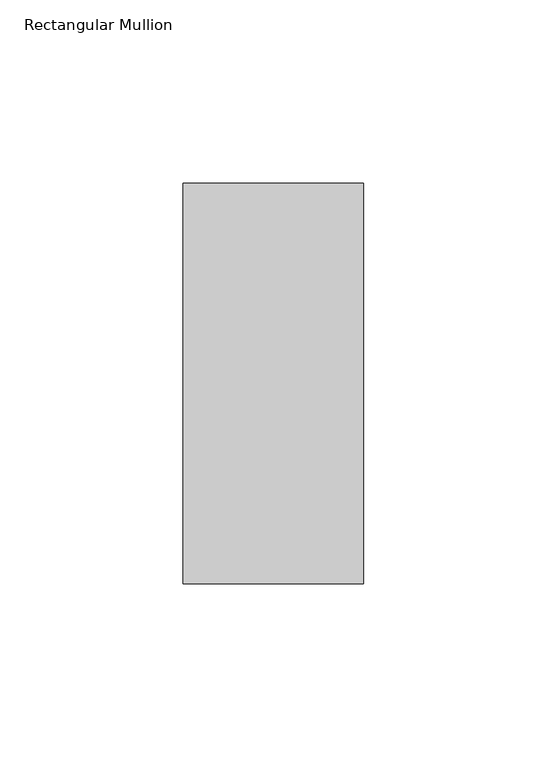
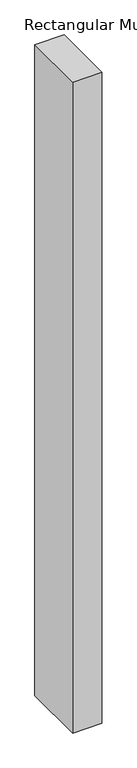
"""IFC4 building model written with IfcOpenShell, lengths in millimetres: member geometry, Rectangular Mullion."""

from ifc_helpers import new_model, si_unit, frame, origin, place, context, project, spatial, polyline, outline, extrude, source, transform, mapped, element, save


def rectangular_mullion_e33cf48d(model_context):
    return source(origin(), model_context, "Body", "SweptSolid", [
        extrude(outline(polyline([(0.0, -58.3438), (-49.2116723, -58.3438), (-49.2116723, 50.8), (0.0, 50.8), (0.0, -58.3438)])), frame((0.0, 0.0, -1151.442922), z_axis=(0.0, 0.0, 1.0), x_axis=(1.0, 0.0, 0.0)), (0.0, 0.0, 1.0), 1151.442922),
    ])


if __name__ == "__main__":
    model = new_model("IFC4")
    model_context = context("Model", 3, world=origin())
    ifc_project = project(units=[si_unit("LENGTHUNIT", "METRE", prefix="MILLI")], contexts=[model_context])
    site = spatial("IfcSite", under=ifc_project)
    building = spatial("IfcBuilding", under=site)
    placement = place(None, origin())
    rectangular_mullion_shape = rectangular_mullion_e33cf48d(model_context)
    element("IfcMember", 1, ObjectType="Rectangular Mullion", at=placement, inside=building, context=model_context, shape_type="MappedRepresentation", body=[
        mapped(rectangular_mullion_shape, transform((0.0, 0.0, 0.0), x_axis=(1.0, 0.0, 0.0), y_axis=(0.0, 1.0, 0.0), z_axis=(0.0, 0.0, 1.0))),
    ])
    save(model, "model.ifc")
